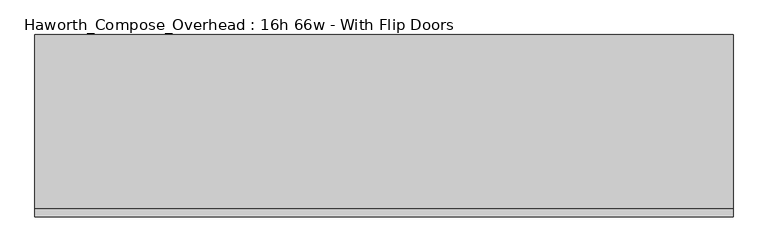
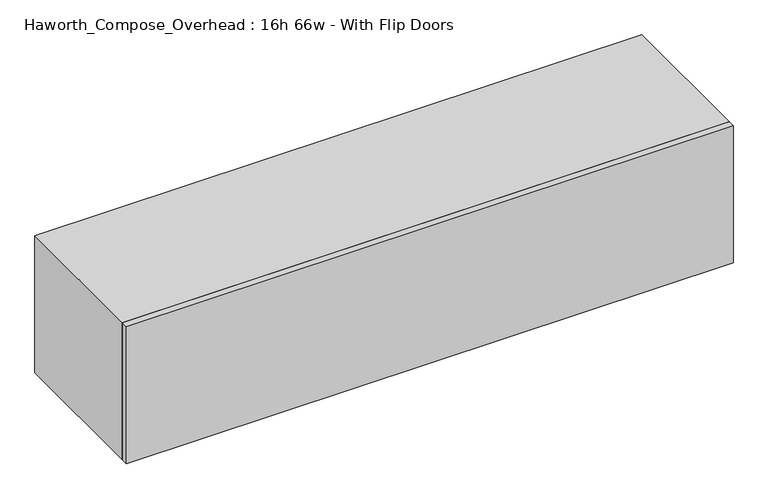
"""IFC4 building model written with IfcOpenShell, lengths in millimetres: furniture geometry, Haworth_Compose_Overhead : 16h 66w - With Flip Doors."""

from ifc_helpers import new_model, si_unit, frame, origin, place, context, project, spatial, polyline, outline, extrude, source, transform, mapped, element, save


def haworth_compose_overhead_16h_66w_with_flip_doors_03a87597(model_context):
    return source(origin(), model_context, "Body", "SweptSolid", [
        extrude(outline(polyline([(1003.3, -438.15), (-673.1, -438.15), (-673.1, -419.1), (1003.3, -419.1), (1003.3, -438.15)])), frame((0.0, 0.0, 1270.0), z_axis=(0.0, 0.0, 1.0), x_axis=(1.0, 0.0, 0.0)), (0.0, 0.0, 1.0), 400.05),
        extrude(outline(polyline([(977.9, -6.35), (-647.7, -6.35), (-647.7, 0.0), (977.9, 0.0), (977.9, -6.35)])), frame((0.0, 0.0, 1295.4), z_axis=(0.0, 0.0, 1.0), x_axis=(1.0, 0.0, 0.0)), (0.0, 0.0, 1.0), 349.25),
        extrude(outline(polyline([(1270.0, 1003.3), (1670.05, 1003.3), (1670.05, -673.1), (1270.0, -673.1), (1270.0, 1003.3)]), holes=[polyline([(1644.65, 977.9), (1295.4, 977.9), (1295.4, -647.7), (1644.65, -647.7), (1644.65, 977.9)])]), frame((0.0, -419.1, 0.0), z_axis=(0.0, 1.0, 0.0), x_axis=(0.0, 0.0, 1.0)), (0.0, 0.0, 1.0), 419.1),
    ])


if __name__ == "__main__":
    model = new_model("IFC4")
    model_context = context("Model", 3, world=origin())
    ifc_project = project(units=[si_unit("LENGTHUNIT", "METRE", prefix="MILLI")], contexts=[model_context])
    site = spatial("IfcSite", under=ifc_project)
    building = spatial("IfcBuilding", under=site)
    placement = place(None, origin())
    haworth_compose_overhead_16h_66w_with_flip_doors_shape = haworth_compose_overhead_16h_66w_with_flip_doors_03a87597(model_context)
    element("IfcFurniture", 1, ObjectType="Haworth_Compose_Overhead : 16h 66w - With Flip Doors", at=placement, inside=building, context=model_context, shape_type="MappedRepresentation", body=[
        mapped(haworth_compose_overhead_16h_66w_with_flip_doors_shape, transform((0.0, 0.0, 0.0), x_axis=(1.0, 0.0, 0.0), y_axis=(0.0, 1.0, 0.0), z_axis=(0.0, 0.0, 1.0))),
    ])
    save(model, "model.ifc")
